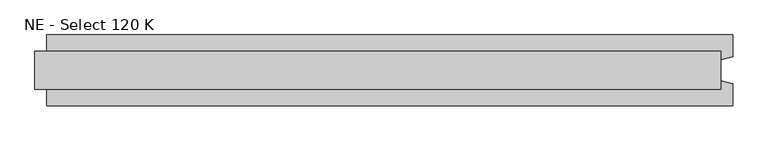
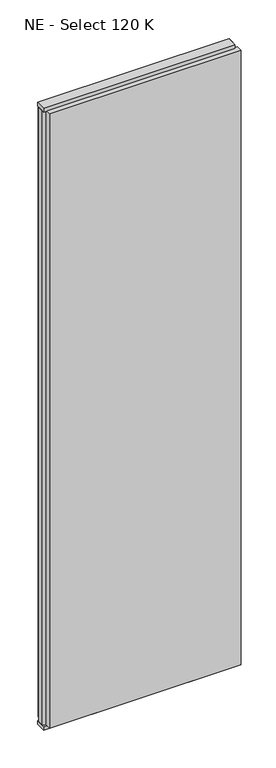
"""IFC4 building model written with IfcOpenShell, lengths in millimetres: plate geometry, NE - Select 120 K."""

from ifc_helpers import new_model, si_unit, frame, origin, origin_with_axes, place, context, project, spatial, polyline, outline, extrude, source, transform, mapped, element, save


def ne_select_120_k_d6361dd5(model_context):
    return source(origin(), model_context, "Body", "SweptSolid", [
        extrude(outline(polyline([(602.9166667, 60.0), (602.9166667, 22.9993165), (582.9166667, 17.6401049), (582.9166667, -17.6401049), (602.9166667, -22.9993165), (602.9166667, -60.0), (-562.9166667, -60.0), (-562.9166667, -22.9993165), (-582.9166667, -17.6401049), (-582.9166667, 17.6401049), (-562.9166667, 22.9993165), (-562.9166667, 60.0), (602.9166667, 60.0)])), frame((0.0, 0.0, 25.0), z_axis=(0.0, 0.0, 1.0), x_axis=(1.0, 0.0, 0.0)), (0.0, 0.0, 1.0), 3950.0),
        extrude(outline(polyline([(582.9166667, 32.0), (582.9166667, -32.0), (-582.9166667, -32.0), (-582.9166667, 32.0), (582.9166667, 32.0)])), origin_with_axes(), (0.0, 0.0, 1.0), 25.0),
        extrude(outline(polyline([(582.9166667, 32.0), (582.9166667, -32.0), (-582.9166667, -32.0), (-582.9166667, 32.0), (582.9166667, 32.0)])), frame((0.0, 0.0, 3975.0), z_axis=(0.0, 0.0, 1.0), x_axis=(1.0, 0.0, 0.0)), (0.0, 0.0, 1.0), 25.0),
    ])


if __name__ == "__main__":
    model = new_model("IFC4")
    model_context = context("Model", 3, world=origin())
    ifc_project = project(units=[si_unit("LENGTHUNIT", "METRE", prefix="MILLI")], contexts=[model_context])
    site = spatial("IfcSite", under=ifc_project)
    building = spatial("IfcBuilding", under=site)
    placement = place(None, origin())
    ne_select_120_k_shape = ne_select_120_k_d6361dd5(model_context)
    element("IfcPlate", 1, ObjectType="NE - Select 120 K", at=placement, inside=building, context=model_context, shape_type="MappedRepresentation", body=[
        mapped(ne_select_120_k_shape, transform((0.0, 0.0, 0.0), x_axis=(1.0, 0.0, 0.0), y_axis=(0.0, 1.0, 0.0), z_axis=(0.0, 0.0, 1.0))),
    ])
    save(model, "model.ifc")
